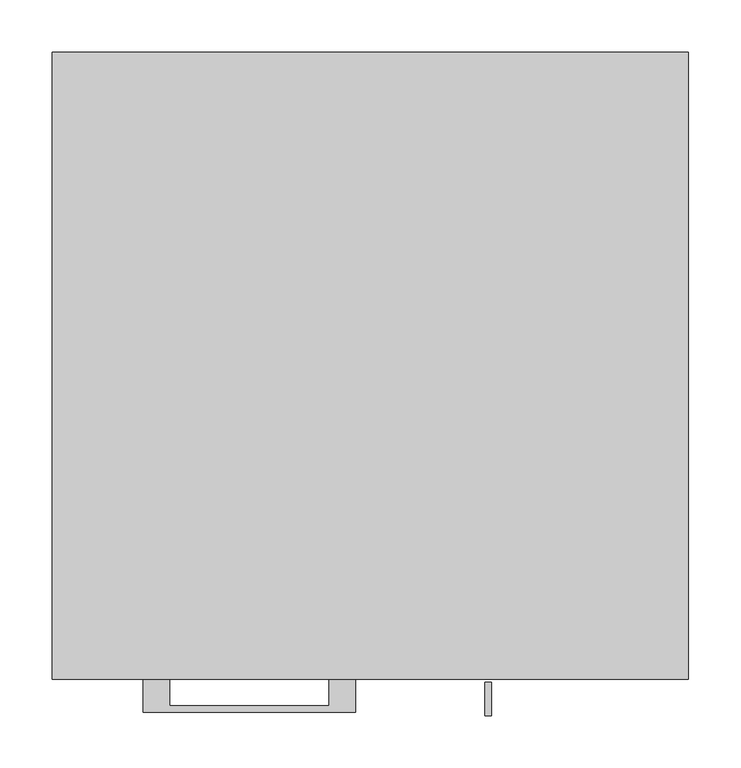
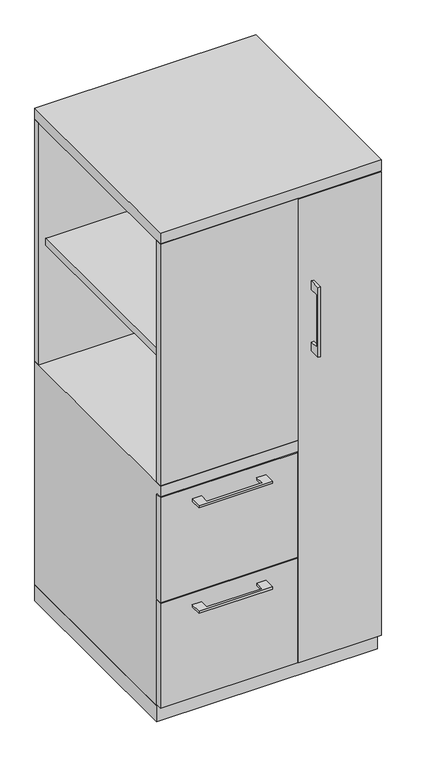
"""IFC4 building model written with IfcOpenShell, lengths in millimetres: furniture geometry."""

from ifc_helpers import new_model, si_unit, frame, origin, origin_with_axes, place, context, project, spatial, polyline, outline, extrude, faceted_brep, source, transform, mapped, element, save


def furniture_b408ae86(model_context):
    return source(origin(), model_context, "Body", "SolidModel", [
        extrude(outline(polyline([(57.15, -581.025), (-285.75, -581.025), (-285.75, -19.05), (57.15, -19.05), (57.15, -581.025)])), frame((0.0, 0.0, 1041.4), z_axis=(0.0, 0.0, 1.0), x_axis=(1.0, 0.0, 0.0)), (0.0, 0.0, 1.0), 19.05),
        extrude(outline(polyline([(-192.0874818, -600.075), (-192.0874818, -625.4749758), (-39.6875, -625.4749758), (-39.6875, -600.075), (-14.2875061, -600.075), (-14.2875061, -631.8249879), (-217.4874939, -631.8249879), (-217.4874939, -600.075), (-192.0874818, -600.075)])), frame((0.0, 0.0, 623.8875506), z_axis=(0.0, 0.0, 1.0), x_axis=(1.0, 0.0, 0.0)), (0.0, 0.0, 1.0), 6.3499758),
        extrude(outline(polyline([(73.025, -581.025), (73.025, -600.075), (-304.8, -600.075), (-304.8, -581.025), (73.025, -581.025)])), frame((0.0, 0.0, 358.775), z_axis=(0.0, 0.0, 1.0), x_axis=(1.0, 0.0, 0.0)), (0.0, 0.0, 1.0), 304.8),
        extrude(outline(polyline([(-603.25, 1127.125), (-628.6499758, 1127.125), (-628.6499758, 974.725), (-603.25, 974.725), (-603.25, 949.325), (-634.9999879, 949.325), (-634.9999879, 1152.525), (-603.25, 1152.525), (-603.25, 1127.125)])), frame((109.5375121, 0.0, 0.0), z_axis=(1.0, 0.0, 0.0), x_axis=(0.0, 1.0, 0.0)), (0.0, 0.0, 1.0), 6.3499758),
        extrude(outline(polyline([(304.8, -600.075), (76.2, -600.075), (76.2, -581.025), (304.8, -581.025), (304.8, -600.075)])), frame((0.0, 0.0, 50.8), z_axis=(0.0, 0.0, 1.0), x_axis=(1.0, 0.0, 0.0)), (0.0, 0.0, 1.0), 1349.375),
        extrude(outline(polyline([(-192.0874818, -600.075), (-192.0874818, -625.4749758), (-39.6875, -625.4749758), (-39.6875, -600.075), (-14.2875061, -600.075), (-14.2875061, -631.8249879), (-217.4874939, -631.8249879), (-217.4874939, -600.075), (-192.0874818, -600.075)])), frame((0.0, 0.0, 315.9125506), z_axis=(0.0, 0.0, 1.0), x_axis=(1.0, 0.0, 0.0)), (0.0, 0.0, 1.0), 6.3499758),
        extrude(outline(polyline([(73.025, -581.025), (73.025, -600.075), (-304.8, -600.075), (-304.8, -581.025), (73.025, -581.025)])), frame((0.0, 0.0, 50.8), z_axis=(0.0, 0.0, 1.0), x_axis=(1.0, 0.0, 0.0)), (0.0, 0.0, 1.0), 304.8),
        faceted_brep([(-304.8, -581.025, 47.625), (-304.8, 0.0, 47.625), (76.2, 0.0, 47.625), (76.2, -581.025, 47.625), (-304.8, 0.0, 698.5), (76.2, 0.0, 698.5), (-304.8, -581.025, 666.75), (-304.8, -600.075, 666.75), (-304.8, -600.075, 698.5), (76.2, -581.025, 666.75), (57.15, -581.025, 666.75), (76.2, -581.025, 1403.35), (57.15, -581.025, 1403.35), (57.15, -581.025, 698.5), (76.2, -581.025, 698.5), (76.2, -19.05, 698.5), (76.2, -19.05, 1403.35), (76.2, -600.075, 698.5), (76.2, -600.075, 666.75), (57.15, -19.05, 1403.35), (57.15, -19.05, 698.5)], [[[0, 1, 2, 3]], [[2, 1, 4, 5]], [[4, 1, 0, 6, 7, 8]], [[6, 0, 3, 9, 10]], [[11, 12, 13, 14]], [[2, 5, 15, 16, 11, 14, 17, 18, 9, 3]], [[16, 19, 12, 11]], [[19, 16, 15, 20]], [[12, 19, 20, 13]], [[5, 4, 8, 17, 14, 13, 20, 15]], [[18, 7, 6, 10, 9]], [[17, 8, 7, 18]]]),
        extrude(outline(polyline([(76.2, 0.0), (76.2, -19.05), (-304.8, -19.05), (-304.8, 0.0), (76.2, 0.0)])), frame((0.0, 0.0, 698.5), z_axis=(0.0, 0.0, 1.0), x_axis=(1.0, 0.0, 0.0)), (0.0, 0.0, 1.0), 704.85),
        extrude(outline(polyline([(76.2, -600.075), (-304.8, -600.075), (-304.8, -581.025), (76.2, -581.025), (76.2, -600.075)])), frame((0.0, 0.0, 698.5), z_axis=(0.0, 0.0, 1.0), x_axis=(1.0, 0.0, 0.0)), (0.0, 0.0, 1.0), 704.85),
        extrude(outline(polyline([(304.8, 0.0), (304.8, -581.025), (285.75, -581.025), (285.75, -19.05), (76.2, -19.05), (76.2, 0.0), (304.8, 0.0)])), frame((0.0, 0.0, 47.625), z_axis=(0.0, 0.0, 1.0), x_axis=(1.0, 0.0, 0.0)), (0.0, 0.0, 1.0), 1355.725),
        extrude(outline(polyline([(304.8, 0.0), (304.8, -600.075), (-304.8, -600.075), (-304.8, 0.0), (304.8, 0.0)])), frame((0.0, 0.0, 1403.35), z_axis=(0.0, 0.0, 1.0), x_axis=(1.0, 0.0, 0.0)), (0.0, 0.0, 1.0), 31.75),
        extrude(outline(polyline([(304.8, 0.0), (304.8, -581.025), (-304.8, -581.025), (-304.8, 0.0), (304.8, 0.0)])), origin_with_axes(), (0.0, 0.0, 1.0), 47.625),
    ])


if __name__ == "__main__":
    model = new_model("IFC4")
    model_context = context("Model", 3, world=origin())
    ifc_project = project(units=[si_unit("LENGTHUNIT", "METRE", prefix="MILLI")], contexts=[model_context])
    site = spatial("IfcSite", under=ifc_project)
    building = spatial("IfcBuilding", under=site)
    placement = place(None, origin())
    furniture_shape = furniture_b408ae86(model_context)
    element("IfcFurniture", 1, at=placement, inside=building, context=model_context, shape_type="MappedRepresentation", body=[
        mapped(furniture_shape, transform((0.0, 0.0, 0.0), x_axis=(1.0, 0.0, 0.0), y_axis=(0.0, 1.0, 0.0), z_axis=(0.0, 0.0, 1.0))),
    ])
    save(model, "model.ifc")
